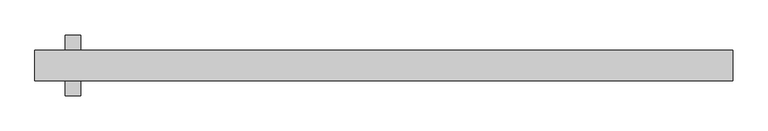
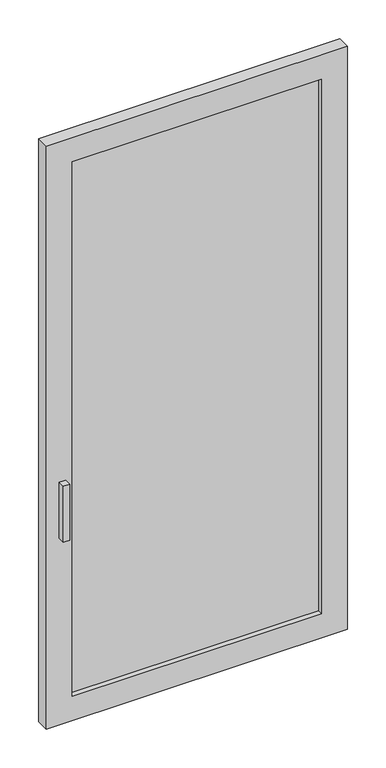
"""IFC4 building model written with IfcOpenShell, lengths in millimetres: plate geometry."""

from ifc_helpers import new_model, si_unit, frame, origin, place, context, project, spatial, polyline, outline, extrude, faceted_brep, source, transform, mapped, element, save


def plate_90cfac57(model_context):
    return source(origin(), model_context, "Body", "SolidModel", [
        faceted_brep([(-506.3000001, -50.8, 990.6), (-531.7000001, -50.8, 990.6), (-531.7000001, -50.8, 762.0), (-506.3000001, -50.8, 762.0), (-506.3000001, -25.4, 990.6), (-531.7000001, -25.4, 990.6), (-531.7000001, -25.4, 762.0), (-506.3000001, -25.4, 762.0), (-582.4092903, -25.4, 2382.5), (-582.4092903, -25.4, 0.0), (582.5, -25.4, 0.0), (582.5, -25.4, 2382.5), (482.5, -25.4, 2282.5), (482.5, -25.4, 100.0), (-482.5, -25.4, 100.0), (-482.5, -25.4, 2282.5), (-582.4092903, 25.4, 2382.5), (582.5, 25.4, 2382.5), (582.5, 25.4, 0.0), (-582.4092903, 25.4, 0.0), (482.5, 25.4, 2282.5), (-482.5, 25.4, 2282.5), (-482.5, 25.4, 100.0), (482.5, 25.4, 100.0)], [[[0, 1, 2, 3]], [[1, 0, 4, 5]], [[2, 1, 5, 6]], [[3, 2, 6, 7]], [[0, 3, 7, 4]], [[8, 9, 10, 11], [12, 13, 14, 15], [5, 4, 7, 6]], [[16, 17, 18, 19], [20, 21, 22, 23]], [[9, 8, 16, 19]], [[10, 9, 19, 18]], [[11, 10, 18, 17]], [[8, 11, 17, 16]], [[13, 12, 20, 23]], [[14, 13, 23, 22]], [[15, 14, 22, 21]], [[12, 15, 21, 20]]]),
        extrude(outline(polyline([(482.5, -6.35), (-482.5, -6.35), (-482.5, 6.35), (482.5, 6.35), (482.5, -6.35)])), frame((0.0, 0.0, 100.0), z_axis=(0.0, 0.0, 1.0), x_axis=(1.0, 0.0, 0.0)), (0.0, 0.0, 1.0), 2182.5),
        extrude(outline(polyline([(-531.7000001, 50.8), (-506.3000001, 50.8), (-506.3000001, 0.0), (-531.7000001, 0.0), (-531.7000001, 50.8)])), frame((0.0, 0.0, 762.0), z_axis=(0.0, 0.0, 1.0), x_axis=(1.0, 0.0, 0.0)), (0.0, 0.0, 1.0), 228.6),
    ])


if __name__ == "__main__":
    model = new_model("IFC4")
    model_context = context("Model", 3, world=origin())
    ifc_project = project(units=[si_unit("LENGTHUNIT", "METRE", prefix="MILLI")], contexts=[model_context])
    site = spatial("IfcSite", under=ifc_project)
    building = spatial("IfcBuilding", under=site)
    placement = place(None, origin())
    plate_shape = plate_90cfac57(model_context)
    element("IfcPlate", 1, at=placement, inside=building, context=model_context, shape_type="MappedRepresentation", body=[
        mapped(plate_shape, transform((0.0, 0.0, 0.0), x_axis=(1.0, 0.0, 0.0), y_axis=(0.0, 1.0, 0.0), z_axis=(0.0, 0.0, 1.0))),
    ])
    save(model, "model.ifc")
